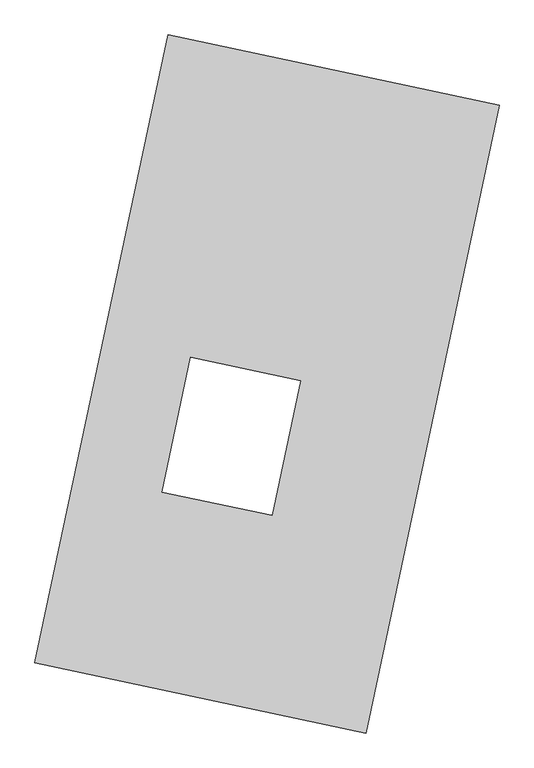
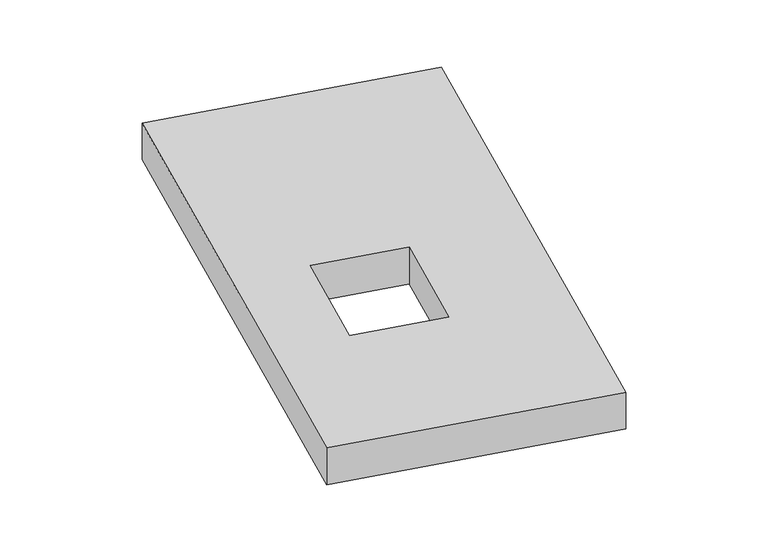
"""IFC4 building model written with IfcOpenShell, lengths in millimetres: proxy geometry."""

import ifcopenshell
import ifcopenshell.guid

model = None  # the IFC model being written
_history = None  # IfcOwnerHistory: only IFC2X3 demands one
_inside = {}  # id of a spatial element -> (the spatial element, [elements in it])
_under = {}  # id of a project, library or spatial element -> (it, [spatial elements below it])
_declared = {}  # id of a project -> (the project, [libraries it declares])
_typed = {}  # id of a type object -> (the type object, [elements of that type])
_made_of = {}  # id of a material, layer set ... -> (it, [elements and type objects made of it])


def new_model(schema):
    """Start an empty IFC model of exactly this schema.

    Asked for "IFC4X3", IfcOpenShell would pick the latest addendum, in which some entities
    have other attributes; the version numbers below select the first issue.
    IFC2X3 requires an IfcOwnerHistory on every rooted entity: one is made here for all.
    """
    global model, _history
    if schema == "IFC4X3":
        model = ifcopenshell.file(schema_version=(4, 3, 0, 0))
    else:
        model = ifcopenshell.file(schema=schema)
    _inside.clear()
    _under.clear()
    _declared.clear()
    _typed.clear()
    _made_of.clear()
    _history = None
    if model.schema == "IFC2X3":
        org = make("IfcOrganization", Name="unknown")
        user = make(
            "IfcPersonAndOrganization",
            ThePerson=make("IfcPerson", FamilyName="unknown"),
            TheOrganization=org,
        )
        app = make(
            "IfcApplication",
            ApplicationDeveloper=org,
            Version="unknown",
            ApplicationFullName="unknown",
            ApplicationIdentifier="unknown",
        )
        _history = make(
            "IfcOwnerHistory",
            OwningUser=user,
            OwningApplication=app,
            ChangeAction="ADDED",
            CreationDate=0,
        )
    return model


def make(cls, **values):
    """One entity of the class cls with the attributes given. An attribute that is None is left unset."""
    return model.create_entity(
        cls, **{name: value for name, value in values.items() if value is not None}
    )


def rooted(cls, **values):
    """An entity with a GlobalId (a new one), such as an element, a storey or a relation."""
    return make(cls, GlobalId=ifcopenshell.guid.new(), OwnerHistory=_history, **values)


def si_unit(unit_type, name, prefix=None):
    """IfcSIUnit, for example si_unit("LENGTHUNIT", "METRE", prefix="MILLI")."""
    return make("IfcSIUnit", UnitType=unit_type, Prefix=prefix, Name=name)


def assignment(units):
    """IfcUnitAssignment: the units of a project."""
    return None if units is None else make("IfcUnitAssignment", Units=units)


def point(xyz):
    """IfcCartesianPoint."""
    return None if xyz is None else make("IfcCartesianPoint", Coordinates=xyz)


def direction(xyz):
    """IfcDirection."""
    return None if xyz is None else make("IfcDirection", DirectionRatios=xyz)


def frame(location, z_axis=None, x_axis=None):
    """IfcAxis2Placement3D, a coordinate frame: its origin and axes. An axis left out is left unset."""
    return make(
        "IfcAxis2Placement3D",
        Location=point(location),
        Axis=direction(z_axis),
        RefDirection=direction(x_axis),
    )


def origin():
    """The frame at (0, 0, 0) with its axes left unset."""
    return frame((0.0, 0.0, 0.0))


def origin_with_axes():
    """The frame at (0, 0, 0) with the z axis (0, 0, 1) and the x axis (1, 0, 0) written out."""
    return frame((0.0, 0.0, 0.0), z_axis=(0.0, 0.0, 1.0), x_axis=(1.0, 0.0, 0.0))


def place(relative_to, where):
    """IfcLocalPlacement: puts the frame where relative to a parent placement (None: the world)."""
    return make(
        "IfcLocalPlacement", PlacementRelTo=relative_to, RelativePlacement=where
    )


def context(
    kind, dimensions, precision=None, world=None, true_north=None, identifier=None
):
    """IfcGeometricRepresentationContext, for example the 3D "Model" context."""
    return make(
        "IfcGeometricRepresentationContext",
        ContextIdentifier=identifier,
        ContextType=kind,
        CoordinateSpaceDimension=dimensions,
        Precision=precision,
        WorldCoordinateSystem=world,
        TrueNorth=true_north,
    )


def project(units=None, contexts=None):
    """IfcProject with its units and contexts."""
    return rooted(
        "IfcProject",
        Name="project",
        RepresentationContexts=contexts,
        UnitsInContext=assignment(units),
    )


def spatial(cls, under=None, at=None, **own):
    """A site, building, storey or space (cls), placed at a placement, below another one or the project."""
    s = rooted(cls, ObjectPlacement=at, **own)
    if under is not None:
        _under.setdefault(under.id(), (under, []))[1].append(s)
    return s


def polyline(points):
    """IfcPolyline through the points."""
    return make("IfcPolyline", Points=[point(p) for p in points])


def outline(outer, holes=None, kind="AREA"):
    """IfcArbitraryClosedProfileDef: a profile drawn as a closed curve; with holes, ...WithVoids."""
    if holes is None:
        return make("IfcArbitraryClosedProfileDef", ProfileType=kind, OuterCurve=outer)
    return make(
        "IfcArbitraryProfileDefWithVoids",
        ProfileType=kind,
        OuterCurve=outer,
        InnerCurves=holes,
    )


def extrude(swept, where, along, depth):
    """IfcExtrudedAreaSolid: the profile swept, set in the frame where, extruded along a direction by depth."""
    return make(
        "IfcExtrudedAreaSolid",
        SweptArea=swept,
        Position=where,
        ExtrudedDirection=direction(along),
        Depth=depth,
    )


def shape(context_of_items, identifier, shape_type, items):
    """IfcShapeRepresentation: the items that make up one representation, for example the "Body"."""
    return make(
        "IfcShapeRepresentation",
        ContextOfItems=context_of_items,
        RepresentationIdentifier=identifier,
        RepresentationType=shape_type,
        Items=items,
    )


def source(mapping_origin, context_of_items, identifier, shape_type, items):
    """IfcRepresentationMap: a shape defined once, which mapped items show again and again."""
    return make(
        "IfcRepresentationMap",
        MappingOrigin=mapping_origin,
        MappedRepresentation=shape(context_of_items, identifier, shape_type, items),
    )


def transform(
    local_origin,
    x_axis=None,
    y_axis=None,
    z_axis=None,
    scale=None,
    scale2=None,
    scale3=None,
    uniform=True,
):
    """IfcCartesianTransformationOperator3D, or its non-uniform kind. x_axis, y_axis, z_axis: its Axis1, 2, 3."""
    if uniform:
        return make(
            "IfcCartesianTransformationOperator3D",
            Axis1=direction(x_axis),
            Axis2=direction(y_axis),
            LocalOrigin=point(local_origin),
            Scale=scale,
            Axis3=direction(z_axis),
        )
    return make(
        "IfcCartesianTransformationOperator3DnonUniform",
        Axis1=direction(x_axis),
        Axis2=direction(y_axis),
        LocalOrigin=point(local_origin),
        Scale=scale,
        Axis3=direction(z_axis),
        Scale2=scale2,
        Scale3=scale3,
    )


def mapped(mapping_source, mapping_target):
    """IfcMappedItem: shows the shape of a source again, moved by a transform."""
    return make(
        "IfcMappedItem", MappingSource=mapping_source, MappingTarget=mapping_target
    )


def made_of(thing, what):
    """Note that an element or type object is made of a material, layer set ...; save() writes the relation."""
    if what is not None:
        _made_of.setdefault(what.id(), (what, []))[1].append(thing)
    return thing


def element(
    cls,
    number,
    at=None,
    inside=None,
    cuts=None,
    type_object=None,
    material=None,
    context=None,
    identifier="Body",
    shape_type=None,
    held_by="IfcProductDefinitionShape",
    body=None,
    shapes=None,
    **own,
):
    """One element of the class cls, such as IfcWall. Its Tag is "e" and its number.

    at: its placement. inside: the storey or other place that contains it. cuts: it is an
    opening in that element (IfcRelVoidsElement). A single representation is given by context,
    identifier, shape_type and body (its items); several are given by shapes. held_by: the class
    of the entity that holds the representations. save() writes the other relations.
    """
    e = rooted(cls, Tag="e%d" % number, ObjectPlacement=at, **own)
    if body is not None:
        shapes = [shape(context, identifier, shape_type, body)]
    if shapes is not None:
        e.Representation = make(held_by, Representations=shapes)
    if inside is not None:
        _inside.setdefault(inside.id(), (inside, []))[1].append(e)
    if cuts is not None:
        rooted(
            "IfcRelVoidsElement", RelatingBuildingElement=cuts, RelatedOpeningElement=e
        )
    if type_object is not None:
        _typed.setdefault(type_object.id(), (type_object, []))[1].append(e)
    return made_of(e, material)


def aggregate(whole, parts):
    """IfcRelAggregates: a whole, such as a stair, and the parts it consists of."""
    return rooted("IfcRelAggregates", RelatingObject=whole, RelatedObjects=parts)


def save(model, path):
    """Write the relations noted so far, then the file.

    IfcRelAggregates (storeys below a building ...), IfcRelContainedInSpatialStructure (elements
    in a storey), IfcRelDefinesByType, IfcRelAssociatesMaterial and IfcRelDeclares: one each for
    every whole, place, type object, material and project.
    """
    for whole, parts in _under.values():
        aggregate(whole, parts)
    for where, things in _inside.values():
        rooted(
            "IfcRelContainedInSpatialStructure",
            RelatedElements=things,
            RelatingStructure=where,
        )
    for kind, things in _typed.values():
        rooted("IfcRelDefinesByType", RelatedObjects=things, RelatingType=kind)
    for what, things in _made_of.values():
        rooted("IfcRelAssociatesMaterial", RelatedObjects=things, RelatingMaterial=what)
    for by, libraries in _declared.values():
        rooted("IfcRelDeclares", RelatingContext=by, RelatedDefinitions=libraries)
    model.write(path)


def generic_models_a2b6d859(model_context):
    return source(origin(), model_context, "Body", "SweptSolid", [
        extrude(outline(polyline([(-617.3692021, 2175.5580432), (1447.7508745, 1737.3010494), (617.3692021, -2175.5580432), (-1447.7508745, -1737.3010494), (-617.3692021, 2175.5580432)]), holes=[polyline([(208.1796911, 20.8522616), (-475.4178406, 165.9244066), (-653.6162907, -673.7682901), (29.981241, -818.840435), (208.1796911, 20.8522616)])]), origin_with_axes(), (0.0, 0.0, 1.0), 300.0),
    ])


if __name__ == "__main__":
    model = new_model("IFC4")
    model_context = context("Model", 3, world=origin())
    ifc_project = project(units=[si_unit("LENGTHUNIT", "METRE", prefix="MILLI")], contexts=[model_context])
    site = spatial("IfcSite", under=ifc_project)
    building = spatial("IfcBuilding", under=site)
    placement = place(None, origin())
    generic_models_shape = generic_models_a2b6d859(model_context)
    element("IfcBuildingElementProxy", 1, Name="Generic Models", at=placement, inside=building, context=model_context, shape_type="MappedRepresentation", body=[
        mapped(generic_models_shape, transform((0.0, 0.0, 0.0), x_axis=(1.0, 0.0, 0.0), y_axis=(0.0, 1.0, 0.0), z_axis=(0.0, 0.0, 1.0))),
    ])
    save(model, "model.ifc")
